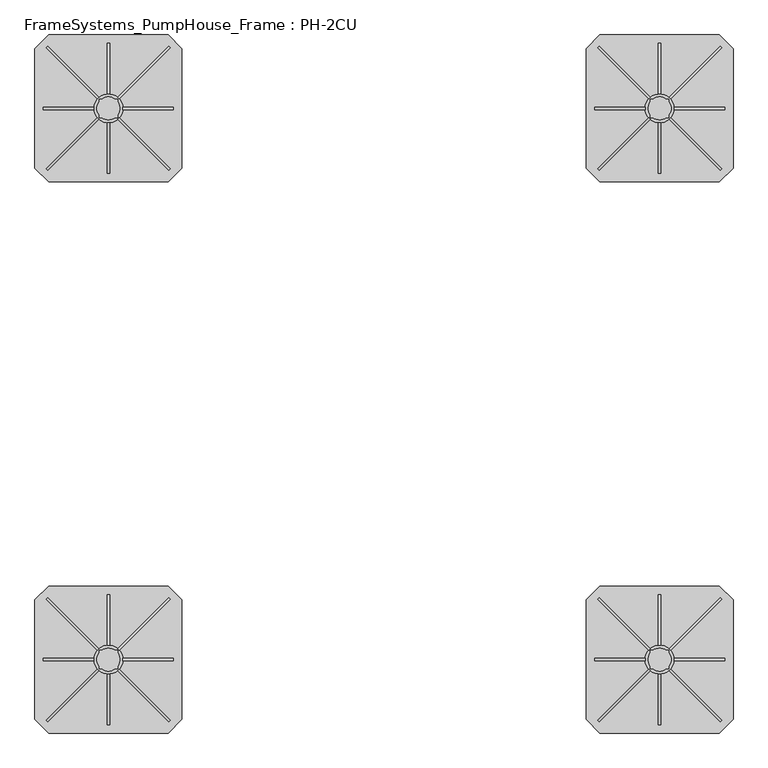
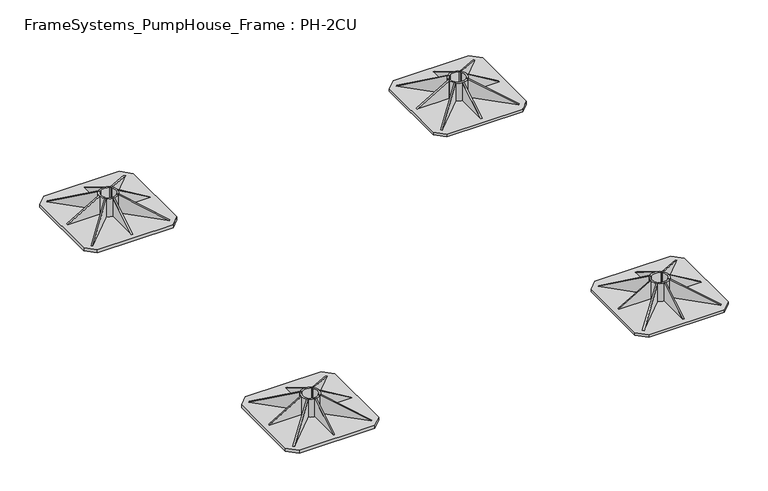
"""IFC4 building model written with IfcOpenShell, lengths in millimetres: beam geometry, FrameSystems_PumpHouse_Frame : PH-2CU."""

from ifc_helpers import new_model, si_unit, point, frame, frame_2d, origin, origin_with_axes, origin_2d, place, context, project, spatial, polyline, circle_curve, trimmed, segment, composite_curve, outline, extrude, source, transform, mapped, element, save


def framesystems_pumphouse_frame_ph_2cu_f5cd6e71(model_context):
    return source(origin(), model_context, "Body", "SweptSolid", [
        extrude(outline(polyline([(0.0, 0.0), (169.9235121, 0.0), (145.0593839, -60.0564328), (0.0, 0.0)])), frame((1331.5218613, 1064.9426048, 10.0), z_axis=(0.7071067811865491, 0.7071067811865459, 0.0), x_axis=(-0.653327860317026, 0.653327860317029, 0.3825250499864671)), (0.0, 0.0, 1.0), 5.0),
        extrude(outline(polyline([(0.0, 0.0), (-145.0593839, -60.0564328), (-169.9235121, 0.0), (0.0, 0.0)])), frame((1068.4781387, 1064.9426048, 10.0), z_axis=(-0.7071067811865449, 0.7071067811865502, 0.0), x_axis=(-0.65332786031703, -0.653327860317025, -0.38252504998646697)), (0.0, 0.0, 1.0), 5.0),
        extrude(outline(polyline([(0.0, 0.0), (169.9235121, 0.0), (145.0593839, -60.0564328), (0.0, 0.0)])), frame((1335.0573952, 1331.5218613, 10.0), z_axis=(-0.707106781186539, 0.7071067811865561, 0.0), x_axis=(-0.6533278603170355, -0.6533278603170196, 0.3825250499864671)), (0.0, 0.0, 1.0), 5.0),
        extrude(outline(polyline([(10.0, 1058.5), (10.0, 1168.5), (75.0, 1168.5), (10.0, 1058.5)])), frame((0.0, 1197.5, 0.0), z_axis=(0.0, 1.0, 0.0), x_axis=(0.0, 0.0, 1.0)), (0.0, 0.0, 1.0), 5.0),
        extrude(outline(polyline([(1341.5, 10.0), (1231.5, 10.0), (1231.5, 75.0), (1341.5, 10.0)])), frame((1197.5, 0.0, 0.0), z_axis=(1.0, 0.0, 0.0), x_axis=(0.0, 1.0, 0.0)), (0.0, 0.0, 1.0), 5.0),
        extrude(outline(polyline([(1058.5, 10.0), (1168.5, 75.0), (1168.5, 10.0), (1058.5, 10.0)])), frame((1197.5, 0.0, 0.0), z_axis=(1.0, 0.0, 0.0), x_axis=(0.0, 1.0, 0.0)), (0.0, 0.0, 1.0), 5.0),
        extrude(outline(polyline([(0.0, 0.0), (-145.0593839, -60.0564328), (-169.9235121, 0.0), (0.0, 0.0)])), frame((1064.9426048, 1331.5218613, 10.0), z_axis=(0.7071067811865491, 0.707106781186546, 0.0), x_axis=(-0.6533278603170262, 0.653327860317029, -0.3825250499864671)), (0.0, 0.0, 1.0), 5.0),
        extrude(outline(polyline([(10.0, 1341.5), (75.0, 1231.5), (10.0, 1231.5), (10.0, 1341.5)])), frame((0.0, 1197.5, 0.0), z_axis=(0.0, 1.0, 0.0), x_axis=(0.0, 0.0, 1.0)), (0.0, 0.0, 1.0), 5.0),
        extrude(outline(composite_curve([segment(trimmed(circle_curve(frame_2d((1200.0, 1200.0)), 31.5), [point((1168.5, 1200.0))], [point((1231.5, 1200.0))], False, "CARTESIAN"), True, "CONTINUOUS"), segment(trimmed(circle_curve(frame_2d((1200.0, 1200.0)), 31.5), [point((1231.5, 1200.0))], [point((1168.5, 1200.0))], False, "CARTESIAN"), True, "CONTINUOUS")], self_intersect=False), holes=[composite_curve([segment(polyline([(1180.0, 1185.0), (1180.0, 1180.0), (1185.0, 1180.0)]), True, "CONTINUOUS"), segment(trimmed(circle_curve(frame_2d((1200.0, 1200.0)), 25.0), [point((1185.0, 1180.0))], [point((1215.0, 1180.0))], True, "CARTESIAN"), True, "CONTINUOUS"), segment(polyline([(1215.0, 1180.0), (1220.0, 1180.0), (1220.0, 1185.0)]), True, "CONTINUOUS"), segment(trimmed(circle_curve(frame_2d((1200.0, 1200.0)), 25.0), [point((1220.0, 1185.0))], [point((1220.0, 1215.0))], True, "CARTESIAN"), True, "CONTINUOUS"), segment(polyline([(1220.0, 1215.0), (1220.0, 1220.0), (1215.0, 1220.0)]), True, "CONTINUOUS"), segment(trimmed(circle_curve(frame_2d((1200.0, 1200.0)), 25.0), [point((1215.0, 1220.0))], [point((1185.0, 1220.0))], True, "CARTESIAN"), True, "CONTINUOUS"), segment(polyline([(1185.0, 1220.0), (1180.0, 1220.0), (1180.0, 1215.0)]), True, "CONTINUOUS"), segment(trimmed(circle_curve(frame_2d((1200.0, 1200.0)), 25.0), [point((1180.0, 1215.0))], [point((1180.0, 1185.0))], True, "CARTESIAN"), True, "CONTINUOUS")], self_intersect=False)]), frame((0.0, 0.0, 10.0), z_axis=(0.0, 0.0, 1.0), x_axis=(1.0, 0.0, 0.0)), (0.0, 0.0, 1.0), 65.0),
        extrude(outline(polyline([(1330.0, 1360.0), (1360.0, 1330.0), (1360.0, 1070.0), (1330.0, 1040.0), (1070.0, 1040.0), (1040.0, 1070.0), (1040.0, 1330.0), (1070.0, 1360.0), (1330.0, 1360.0)])), origin_with_axes(), (0.0, 0.0, 1.0), 10.0),
        extrude(outline(polyline([(0.0, 0.0), (169.9235121, 0.0), (145.0593839, -60.0564328), (0.0, 0.0)])), frame((1331.5218613, -135.0573952, 10.0), z_axis=(0.7071067811865491, 0.7071067811865459, 0.0), x_axis=(-0.653327860317026, 0.653327860317029, 0.3825250499864671)), (0.0, 0.0, 1.0), 5.0),
        extrude(outline(polyline([(0.0, 0.0), (-145.0593839, -60.0564328), (-169.9235121, 0.0), (0.0, 0.0)])), frame((1068.4781387, -135.0573952, 10.0), z_axis=(-0.7071067811865449, 0.7071067811865502, 0.0), x_axis=(-0.65332786031703, -0.653327860317025, -0.38252504998646697)), (0.0, 0.0, 1.0), 5.0),
        extrude(outline(polyline([(0.0, 0.0), (169.9235121, 0.0), (145.0593839, -60.0564328), (0.0, 0.0)])), frame((1335.0573952, 131.5218613, 10.0), z_axis=(-0.707106781186539, 0.7071067811865561, 0.0), x_axis=(-0.6533278603170355, -0.6533278603170196, 0.3825250499864671)), (0.0, 0.0, 1.0), 5.0),
        extrude(outline(polyline([(10.0, 1058.5), (10.0, 1168.5), (75.0, 1168.5), (10.0, 1058.5)])), frame((0.0, -2.5, 0.0), z_axis=(0.0, 1.0, 0.0), x_axis=(0.0, 0.0, 1.0)), (0.0, 0.0, 1.0), 5.0),
        extrude(outline(polyline([(141.5, 10.0), (31.5, 10.0), (31.5, 75.0), (141.5, 10.0)])), frame((1197.5, 0.0, 0.0), z_axis=(1.0, 0.0, 0.0), x_axis=(0.0, 1.0, 0.0)), (0.0, 0.0, 1.0), 5.0),
        extrude(outline(polyline([(-141.5, 10.0), (-31.5, 75.0), (-31.5, 10.0), (-141.5, 10.0)])), frame((1197.5, 0.0, 0.0), z_axis=(1.0, 0.0, 0.0), x_axis=(0.0, 1.0, 0.0)), (0.0, 0.0, 1.0), 5.0),
        extrude(outline(polyline([(0.0, 0.0), (-145.0593839, -60.0564328), (-169.9235121, 0.0), (0.0, 0.0)])), frame((1064.9426048, 131.5218613, 10.0), z_axis=(0.7071067811865491, 0.707106781186546, 0.0), x_axis=(-0.6533278603170262, 0.653327860317029, -0.3825250499864671)), (0.0, 0.0, 1.0), 5.0),
        extrude(outline(polyline([(10.0, 1341.5), (75.0, 1231.5), (10.0, 1231.5), (10.0, 1341.5)])), frame((0.0, -2.5, 0.0), z_axis=(0.0, 1.0, 0.0), x_axis=(0.0, 0.0, 1.0)), (0.0, 0.0, 1.0), 5.0),
        extrude(outline(composite_curve([segment(trimmed(circle_curve(frame_2d((1200.0, 0.0)), 31.5), [point((1168.5, 0.0))], [point((1231.5, 0.0))], False, "CARTESIAN"), True, "CONTINUOUS"), segment(trimmed(circle_curve(frame_2d((1200.0, 0.0)), 31.5), [point((1231.5, 0.0))], [point((1168.5, 0.0))], False, "CARTESIAN"), True, "CONTINUOUS")], self_intersect=False), holes=[composite_curve([segment(polyline([(1180.0, -15.0), (1180.0, -20.0), (1185.0, -20.0)]), True, "CONTINUOUS"), segment(trimmed(circle_curve(frame_2d((1200.0, 0.0)), 25.0), [point((1185.0, -20.0))], [point((1215.0, -20.0))], True, "CARTESIAN"), True, "CONTINUOUS"), segment(polyline([(1215.0, -20.0), (1220.0, -20.0), (1220.0, -15.0)]), True, "CONTINUOUS"), segment(trimmed(circle_curve(frame_2d((1200.0, 0.0)), 25.0), [point((1220.0, -15.0))], [point((1220.0, 15.0))], True, "CARTESIAN"), True, "CONTINUOUS"), segment(polyline([(1220.0, 15.0), (1220.0, 20.0), (1215.0, 20.0)]), True, "CONTINUOUS"), segment(trimmed(circle_curve(frame_2d((1200.0, 0.0)), 25.0), [point((1215.0, 20.0))], [point((1185.0, 20.0))], True, "CARTESIAN"), True, "CONTINUOUS"), segment(polyline([(1185.0, 20.0), (1180.0, 20.0), (1180.0, 15.0)]), True, "CONTINUOUS"), segment(trimmed(circle_curve(frame_2d((1200.0, 0.0)), 25.0), [point((1180.0, 15.0))], [point((1180.0, -15.0))], True, "CARTESIAN"), True, "CONTINUOUS")], self_intersect=False)]), frame((0.0, 0.0, 10.0), z_axis=(0.0, 0.0, 1.0), x_axis=(1.0, 0.0, 0.0)), (0.0, 0.0, 1.0), 65.0),
        extrude(outline(polyline([(1330.0, 160.0), (1360.0, 130.0), (1360.0, -130.0), (1330.0, -160.0), (1070.0, -160.0), (1040.0, -130.0), (1040.0, 130.0), (1070.0, 160.0), (1330.0, 160.0)])), origin_with_axes(), (0.0, 0.0, 1.0), 10.0),
        extrude(outline(polyline([(0.0, 0.0), (169.9235121, 0.0), (145.0593839, -60.0564328), (0.0, 0.0)])), frame((131.5218613, 1064.9426048, 10.0), z_axis=(0.7071067811865491, 0.7071067811865459, 0.0), x_axis=(-0.653327860317026, 0.653327860317029, 0.3825250499864671)), (0.0, 0.0, 1.0), 5.0),
        extrude(outline(polyline([(0.0, 0.0), (-145.0593839, -60.0564328), (-169.9235121, 0.0), (0.0, 0.0)])), frame((-131.5218613, 1064.9426048, 10.0), z_axis=(-0.7071067811865449, 0.7071067811865502, 0.0), x_axis=(-0.65332786031703, -0.653327860317025, -0.38252504998646697)), (0.0, 0.0, 1.0), 5.0),
        extrude(outline(polyline([(0.0, 0.0), (169.9235121, 0.0), (145.0593839, -60.0564328), (0.0, 0.0)])), frame((135.0573952, 1331.5218613, 10.0), z_axis=(-0.707106781186539, 0.7071067811865561, 0.0), x_axis=(-0.6533278603170355, -0.6533278603170196, 0.3825250499864671)), (0.0, 0.0, 1.0), 5.0),
        extrude(outline(polyline([(10.0, -141.5), (10.0, -31.5), (75.0, -31.5), (10.0, -141.5)])), frame((0.0, 1197.5, 0.0), z_axis=(0.0, 1.0, 0.0), x_axis=(0.0, 0.0, 1.0)), (0.0, 0.0, 1.0), 5.0),
        extrude(outline(polyline([(1341.5, 10.0), (1231.5, 10.0), (1231.5, 75.0), (1341.5, 10.0)])), frame((-2.5, 0.0, 0.0), z_axis=(1.0, 0.0, 0.0), x_axis=(0.0, 1.0, 0.0)), (0.0, 0.0, 1.0), 5.0),
        extrude(outline(polyline([(1058.5, 10.0), (1168.5, 75.0), (1168.5, 10.0), (1058.5, 10.0)])), frame((-2.5, 0.0, 0.0), z_axis=(1.0, 0.0, 0.0), x_axis=(0.0, 1.0, 0.0)), (0.0, 0.0, 1.0), 5.0),
        extrude(outline(polyline([(0.0, 0.0), (-145.0593839, -60.0564328), (-169.9235121, 0.0), (0.0, 0.0)])), frame((-135.0573952, 1331.5218613, 10.0), z_axis=(0.7071067811865491, 0.707106781186546, 0.0), x_axis=(-0.6533278603170262, 0.653327860317029, -0.3825250499864671)), (0.0, 0.0, 1.0), 5.0),
        extrude(outline(polyline([(10.0, 141.5), (75.0, 31.5), (10.0, 31.5), (10.0, 141.5)])), frame((0.0, 1197.5, 0.0), z_axis=(0.0, 1.0, 0.0), x_axis=(0.0, 0.0, 1.0)), (0.0, 0.0, 1.0), 5.0),
        extrude(outline(composite_curve([segment(trimmed(circle_curve(frame_2d((0.0, 1200.0)), 31.5), [point((-31.5, 1200.0))], [point((31.5, 1200.0))], False, "CARTESIAN"), True, "CONTINUOUS"), segment(trimmed(circle_curve(frame_2d((0.0, 1200.0)), 31.5), [point((31.5, 1200.0))], [point((-31.5, 1200.0))], False, "CARTESIAN"), True, "CONTINUOUS")], self_intersect=False), holes=[composite_curve([segment(polyline([(-20.0, 1185.0), (-20.0, 1180.0), (-15.0, 1180.0)]), True, "CONTINUOUS"), segment(trimmed(circle_curve(frame_2d((0.0, 1200.0)), 25.0), [point((-15.0, 1180.0))], [point((15.0, 1180.0))], True, "CARTESIAN"), True, "CONTINUOUS"), segment(polyline([(15.0, 1180.0), (20.0, 1180.0), (20.0, 1185.0)]), True, "CONTINUOUS"), segment(trimmed(circle_curve(frame_2d((0.0, 1200.0)), 25.0), [point((20.0, 1185.0))], [point((20.0, 1215.0))], True, "CARTESIAN"), True, "CONTINUOUS"), segment(polyline([(20.0, 1215.0), (20.0, 1220.0), (15.0, 1220.0)]), True, "CONTINUOUS"), segment(trimmed(circle_curve(frame_2d((0.0, 1200.0)), 25.0), [point((15.0, 1220.0))], [point((-15.0, 1220.0))], True, "CARTESIAN"), True, "CONTINUOUS"), segment(polyline([(-15.0, 1220.0), (-20.0, 1220.0), (-20.0, 1215.0)]), True, "CONTINUOUS"), segment(trimmed(circle_curve(frame_2d((0.0, 1200.0)), 25.0), [point((-20.0, 1215.0))], [point((-20.0, 1185.0))], True, "CARTESIAN"), True, "CONTINUOUS")], self_intersect=False)]), frame((0.0, 0.0, 10.0), z_axis=(0.0, 0.0, 1.0), x_axis=(1.0, 0.0, 0.0)), (0.0, 0.0, 1.0), 65.0),
        extrude(outline(polyline([(130.0, 1360.0), (160.0, 1330.0), (160.0, 1070.0), (130.0, 1040.0), (-130.0, 1040.0), (-160.0, 1070.0), (-160.0, 1330.0), (-130.0, 1360.0), (130.0, 1360.0)])), origin_with_axes(), (0.0, 0.0, 1.0), 10.0),
        extrude(outline(polyline([(0.0, 0.0), (169.9235121, 0.0), (145.0593839, -60.0564328), (0.0, 0.0)])), frame((131.5218613, -135.0573952, 10.0), z_axis=(0.7071067811865491, 0.7071067811865459, 0.0), x_axis=(-0.653327860317026, 0.653327860317029, 0.3825250499864671)), (0.0, 0.0, 1.0), 5.0),
        extrude(outline(polyline([(0.0, 0.0), (-145.0593839, -60.0564328), (-169.9235121, 0.0), (0.0, 0.0)])), frame((-131.5218613, -135.0573952, 10.0), z_axis=(-0.7071067811865449, 0.7071067811865502, 0.0), x_axis=(-0.65332786031703, -0.653327860317025, -0.38252504998646697)), (0.0, 0.0, 1.0), 5.0),
        extrude(outline(polyline([(0.0, 0.0), (169.9235121, 0.0), (145.0593839, -60.0564328), (0.0, 0.0)])), frame((135.0573952, 131.5218613, 10.0), z_axis=(-0.707106781186539, 0.7071067811865561, 0.0), x_axis=(-0.6533278603170355, -0.6533278603170196, 0.3825250499864671)), (0.0, 0.0, 1.0), 5.0),
        extrude(outline(polyline([(10.0, -141.5), (10.0, -31.5), (75.0, -31.5), (10.0, -141.5)])), frame((0.0, -2.5, 0.0), z_axis=(0.0, 1.0, 0.0), x_axis=(0.0, 0.0, 1.0)), (0.0, 0.0, 1.0), 5.0),
        extrude(outline(polyline([(141.5, 10.0), (31.5, 10.0), (31.5, 75.0), (141.5, 10.0)])), frame((-2.5, 0.0, 0.0), z_axis=(1.0, 0.0, 0.0), x_axis=(0.0, 1.0, 0.0)), (0.0, 0.0, 1.0), 5.0),
        extrude(outline(polyline([(-141.5, 10.0), (-31.5, 75.0), (-31.5, 10.0), (-141.5, 10.0)])), frame((-2.5, 0.0, 0.0), z_axis=(1.0, 0.0, 0.0), x_axis=(0.0, 1.0, 0.0)), (0.0, 0.0, 1.0), 5.0),
        extrude(outline(polyline([(0.0, 0.0), (-145.0593839, -60.0564328), (-169.9235121, 0.0), (0.0, 0.0)])), frame((-135.0573952, 131.5218613, 10.0), z_axis=(0.7071067811865491, 0.707106781186546, 0.0), x_axis=(-0.6533278603170262, 0.653327860317029, -0.3825250499864671)), (0.0, 0.0, 1.0), 5.0),
        extrude(outline(polyline([(10.0, 141.5), (75.0, 31.5), (10.0, 31.5), (10.0, 141.5)])), frame((0.0, -2.5, 0.0), z_axis=(0.0, 1.0, 0.0), x_axis=(0.0, 0.0, 1.0)), (0.0, 0.0, 1.0), 5.0),
        extrude(outline(composite_curve([segment(trimmed(circle_curve(origin_2d(), 31.5), [point((-31.5, 0.0))], [point((31.5, 0.0))], False, "CARTESIAN"), True, "CONTINUOUS"), segment(trimmed(circle_curve(origin_2d(), 31.5), [point((31.5, 0.0))], [point((-31.5, 0.0))], False, "CARTESIAN"), True, "CONTINUOUS")], self_intersect=False), holes=[composite_curve([segment(polyline([(-20.0, -15.0), (-20.0, -20.0), (-15.0, -20.0)]), True, "CONTINUOUS"), segment(trimmed(circle_curve(origin_2d(), 25.0), [point((-15.0, -20.0))], [point((15.0, -20.0))], True, "CARTESIAN"), True, "CONTINUOUS"), segment(polyline([(15.0, -20.0), (20.0, -20.0), (20.0, -15.0)]), True, "CONTINUOUS"), segment(trimmed(circle_curve(origin_2d(), 25.0), [point((20.0, -15.0))], [point((20.0, 15.0))], True, "CARTESIAN"), True, "CONTINUOUS"), segment(polyline([(20.0, 15.0), (20.0, 20.0), (15.0, 20.0)]), True, "CONTINUOUS"), segment(trimmed(circle_curve(origin_2d(), 25.0), [point((15.0, 20.0))], [point((-15.0, 20.0))], True, "CARTESIAN"), True, "CONTINUOUS"), segment(polyline([(-15.0, 20.0), (-20.0, 20.0), (-20.0, 15.0)]), True, "CONTINUOUS"), segment(trimmed(circle_curve(origin_2d(), 25.0), [point((-20.0, 15.0))], [point((-20.0, -15.0))], True, "CARTESIAN"), True, "CONTINUOUS")], self_intersect=False)]), frame((0.0, 0.0, 10.0), z_axis=(0.0, 0.0, 1.0), x_axis=(1.0, 0.0, 0.0)), (0.0, 0.0, 1.0), 65.0),
        extrude(outline(polyline([(130.0, 160.0), (160.0, 130.0), (160.0, -130.0), (130.0, -160.0), (-130.0, -160.0), (-160.0, -130.0), (-160.0, 130.0), (-130.0, 160.0), (130.0, 160.0)])), origin_with_axes(), (0.0, 0.0, 1.0), 10.0),
    ])


if __name__ == "__main__":
    model = new_model("IFC4")
    model_context = context("Model", 3, world=origin())
    ifc_project = project(units=[si_unit("LENGTHUNIT", "METRE", prefix="MILLI")], contexts=[model_context])
    site = spatial("IfcSite", under=ifc_project)
    building = spatial("IfcBuilding", under=site)
    placement = place(None, origin())
    framesystems_pumphouse_frame_ph_2cu_shape = framesystems_pumphouse_frame_ph_2cu_f5cd6e71(model_context)
    element("IfcBeam", 1, ObjectType="FrameSystems_PumpHouse_Frame : PH-2CU", at=placement, inside=building, context=model_context, shape_type="MappedRepresentation", body=[
        mapped(framesystems_pumphouse_frame_ph_2cu_shape, transform((0.0, 0.0, 0.0), x_axis=(1.0, 0.0, 0.0), y_axis=(0.0, 1.0, 0.0), z_axis=(0.0, 0.0, 1.0))),
    ])
    save(model, "model.ifc")
